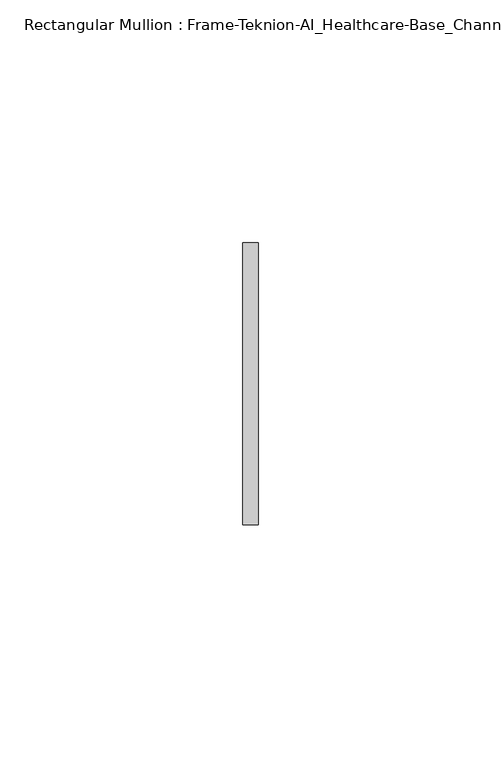
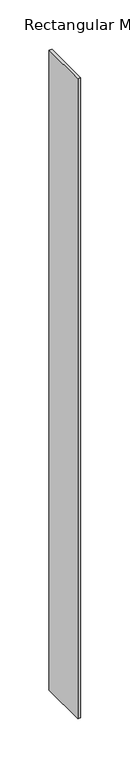
"""IFC4 building model written with IfcOpenShell, lengths in millimetres: member geometry, Rectangular Mullion : Frame-Teknion-AI_Healthcare-Base_Channel."""

from ifc_helpers import new_model, si_unit, frame, origin, place, context, project, spatial, polyline, outline, extrude, source, transform, mapped, element, save


def rectangular_mullion_frame_teknion_ai_healthcare_base_channel_b688521d(model_context):
    return source(origin(), model_context, "Body", "SweptSolid", [
        extrude(outline(polyline([(0.0, 29.0214844), (0.0, -29.0214844), (-3.175, -29.0214844), (-3.175, 29.0214844), (0.0, 29.0214844)])), frame((0.0, 0.0, -791.0756656), z_axis=(0.0, 0.0, 1.0), x_axis=(1.0, 0.0, 0.0)), (0.0, 0.0, 1.0), 791.0756656),
    ])


if __name__ == "__main__":
    model = new_model("IFC4")
    model_context = context("Model", 3, world=origin())
    ifc_project = project(units=[si_unit("LENGTHUNIT", "METRE", prefix="MILLI")], contexts=[model_context])
    site = spatial("IfcSite", under=ifc_project)
    building = spatial("IfcBuilding", under=site)
    placement = place(None, origin())
    rectangular_mullion_frame_teknion_ai_healthcare_base_channel_shape = rectangular_mullion_frame_teknion_ai_healthcare_base_channel_b688521d(model_context)
    element("IfcMember", 1, ObjectType="Rectangular Mullion : Frame-Teknion-AI_Healthcare-Base_Channel", at=placement, inside=building, context=model_context, shape_type="MappedRepresentation", body=[
        mapped(rectangular_mullion_frame_teknion_ai_healthcare_base_channel_shape, transform((0.0, 0.0, 0.0), x_axis=(1.0, 0.0, 0.0), y_axis=(0.0, 1.0, 0.0), z_axis=(0.0, 0.0, 1.0))),
    ])
    save(model, "model.ifc")
